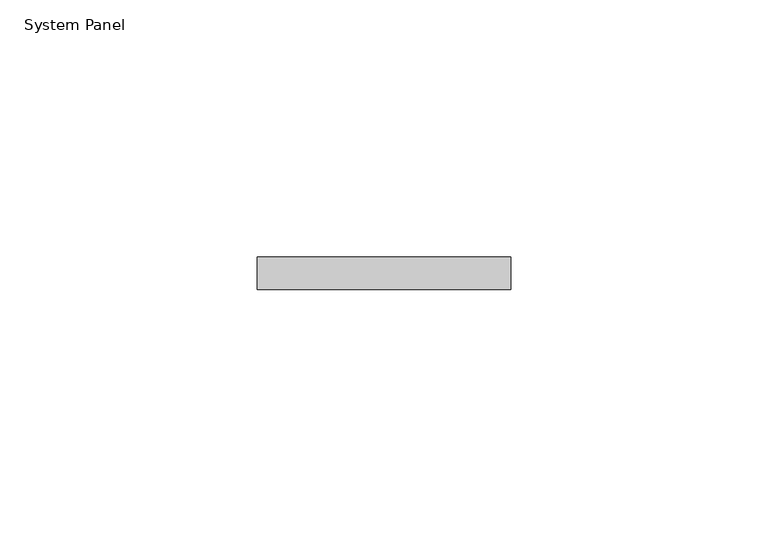
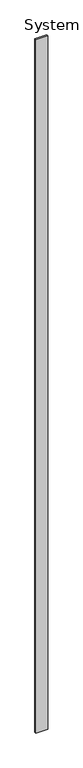
"""IFC4 building model written with IfcOpenShell, lengths in millimetres: plate geometry, System Panel."""

from ifc_helpers import new_model, si_unit, origin, origin_with_axes, place, context, project, spatial, polyline, outline, extrude, source, transform, mapped, element, save


def system_panel_77d49c99(model_context):
    return source(origin(), model_context, "Body", "SweptSolid", [
        extrude(outline(polyline([(24.7024825, 0.0), (-24.7024825, 0.0), (-24.7024825, 6.35), (24.7024825, 6.35), (24.7024825, 0.0)])), origin_with_axes(), (0.0, 0.0, 1.0), 3048.0),
    ])


if __name__ == "__main__":
    model = new_model("IFC4")
    model_context = context("Model", 3, world=origin())
    ifc_project = project(units=[si_unit("LENGTHUNIT", "METRE", prefix="MILLI")], contexts=[model_context])
    site = spatial("IfcSite", under=ifc_project)
    building = spatial("IfcBuilding", under=site)
    placement = place(None, origin())
    system_panel_shape = system_panel_77d49c99(model_context)
    element("IfcPlate", 1, ObjectType="System Panel", at=placement, inside=building, context=model_context, shape_type="MappedRepresentation", body=[
        mapped(system_panel_shape, transform((0.0, 0.0, 0.0), x_axis=(1.0, 0.0, 0.0), y_axis=(0.0, 1.0, 0.0), z_axis=(0.0, 0.0, 1.0))),
    ])
    save(model, "model.ifc")
